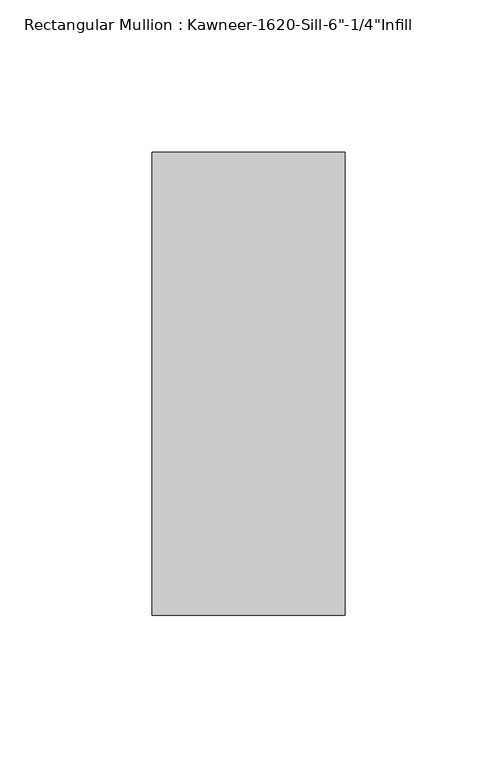
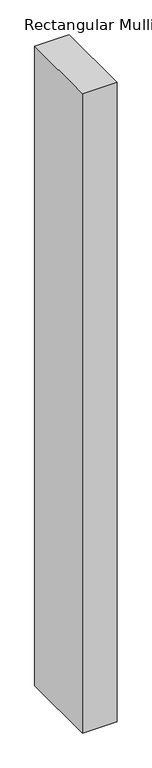
"""IFC4 building model written with IfcOpenShell, lengths in millimetres: member geometry."""

from ifc_helpers import new_model, si_unit, frame, origin, place, context, project, spatial, polyline, outline, extrude, source, transform, mapped, element, save


def member_84121089(model_context):
    return source(origin(), model_context, "Body", "SweptSolid", [
        extrude(outline(polyline([(-63.5, 28.575), (0.0, 28.575), (0.0, -123.825), (-63.5, -123.825), (-63.5, 28.575)])), frame((0.0, 0.0, -1244.3876074), z_axis=(0.0, 0.0, 1.0), x_axis=(1.0, 0.0, 0.0)), (0.0, 0.0, 1.0), 1244.3876074),
    ])


if __name__ == "__main__":
    model = new_model("IFC4")
    model_context = context("Model", 3, world=origin())
    ifc_project = project(units=[si_unit("LENGTHUNIT", "METRE", prefix="MILLI")], contexts=[model_context])
    site = spatial("IfcSite", under=ifc_project)
    building = spatial("IfcBuilding", under=site)
    placement = place(None, origin())
    member_shape = member_84121089(model_context)
    element("IfcMember", 1, ObjectType="Rectangular Mullion : Kawneer-1620-Sill-6\"-1/4\"Infill", at=placement, inside=building, context=model_context, shape_type="MappedRepresentation", body=[
        mapped(member_shape, transform((0.0, 0.0, 0.0), x_axis=(1.0, 0.0, 0.0), y_axis=(0.0, 1.0, 0.0), z_axis=(0.0, 0.0, 1.0))),
    ])
    save(model, "model.ifc")
